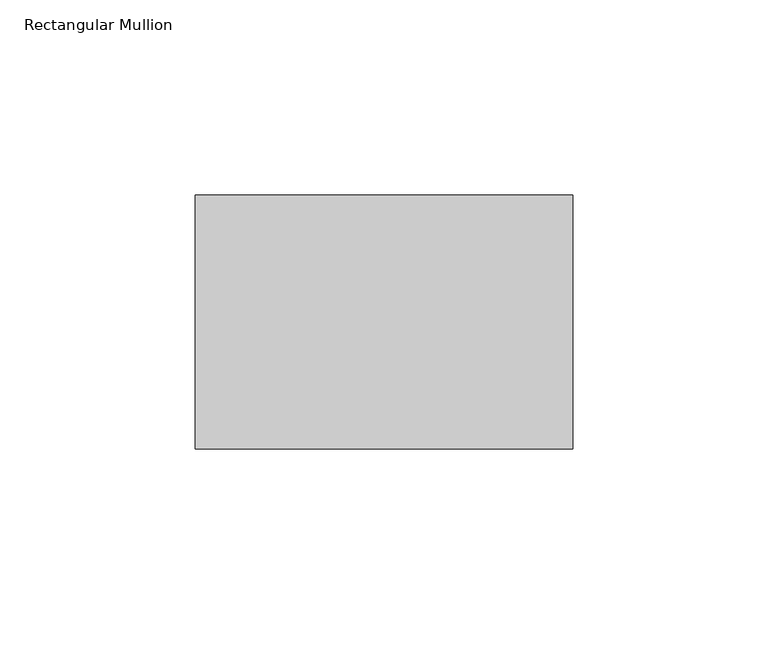
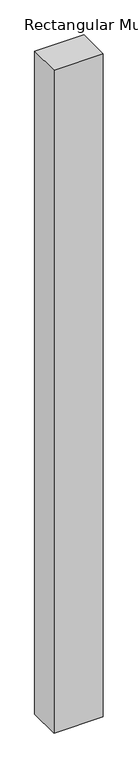
"""IFC4 building model written with IfcOpenShell, lengths in millimetres: member geometry, Rectangular Mullion."""

from ifc_helpers import new_model, si_unit, frame, origin, place, context, project, spatial, polyline, outline, extrude, source, transform, mapped, element, save


def rectangular_mullion_92888638(model_context):
    return source(origin(), model_context, "Body", "SweptSolid", [
        extrude(outline(polyline([(0.0, -42.8625), (-96.8375, -42.8625), (-96.8375, 22.225), (0.0, 22.225), (0.0, -42.8625)])), frame((0.0, 0.0, -1378.74375), z_axis=(0.0, 0.0, 1.0), x_axis=(1.0, 0.0, 0.0)), (0.0, 0.0, 1.0), 1378.74375),
    ])


if __name__ == "__main__":
    model = new_model("IFC4")
    model_context = context("Model", 3, world=origin())
    ifc_project = project(units=[si_unit("LENGTHUNIT", "METRE", prefix="MILLI")], contexts=[model_context])
    site = spatial("IfcSite", under=ifc_project)
    building = spatial("IfcBuilding", under=site)
    placement = place(None, origin())
    rectangular_mullion_shape = rectangular_mullion_92888638(model_context)
    element("IfcMember", 1, ObjectType="Rectangular Mullion", at=placement, inside=building, context=model_context, shape_type="MappedRepresentation", body=[
        mapped(rectangular_mullion_shape, transform((0.0, 0.0, 0.0), x_axis=(1.0, 0.0, 0.0), y_axis=(0.0, 1.0, 0.0), z_axis=(0.0, 0.0, 1.0))),
    ])
    save(model, "model.ifc")
